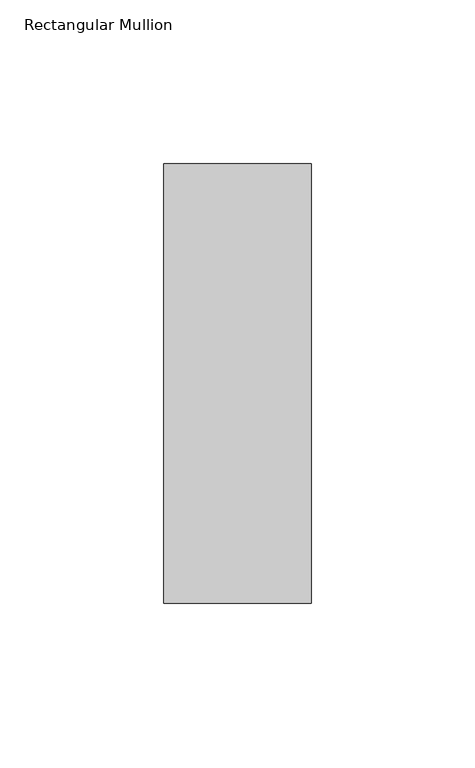
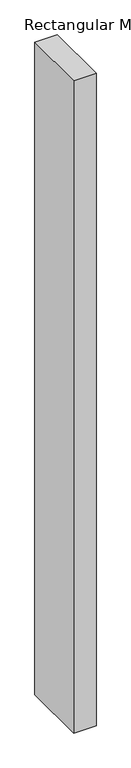
"""IFC4 building model written with IfcOpenShell, lengths in millimetres: member geometry, Rectangular Mullion."""

from ifc_helpers import new_model, si_unit, frame, origin, place, context, project, spatial, polyline, outline, extrude, source, transform, mapped, element, save


def rectangular_mullion_0c3c114a(model_context):
    return source(origin(), model_context, "Body", "SweptSolid", [
        extrude(outline(polyline([(-45.0, 82.60625), (0.0, 82.60625), (0.0, -51.60625), (-45.0, -51.60625), (-45.0, 82.60625)])), frame((0.0, 0.0, -1382.3566406), z_axis=(0.0, 0.0, 1.0), x_axis=(1.0, 0.0, 0.0)), (0.0, 0.0, 1.0), 1382.3566406),
    ])


if __name__ == "__main__":
    model = new_model("IFC4")
    model_context = context("Model", 3, world=origin())
    ifc_project = project(units=[si_unit("LENGTHUNIT", "METRE", prefix="MILLI")], contexts=[model_context])
    site = spatial("IfcSite", under=ifc_project)
    building = spatial("IfcBuilding", under=site)
    placement = place(None, origin())
    rectangular_mullion_shape = rectangular_mullion_0c3c114a(model_context)
    element("IfcMember", 1, ObjectType="Rectangular Mullion", at=placement, inside=building, context=model_context, shape_type="MappedRepresentation", body=[
        mapped(rectangular_mullion_shape, transform((0.0, 0.0, 0.0), x_axis=(1.0, 0.0, 0.0), y_axis=(0.0, 1.0, 0.0), z_axis=(0.0, 0.0, 1.0))),
    ])
    save(model, "model.ifc")
